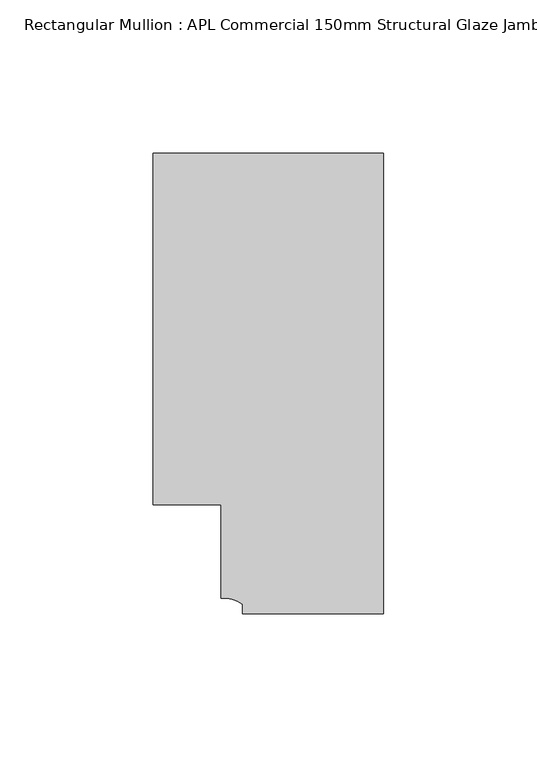
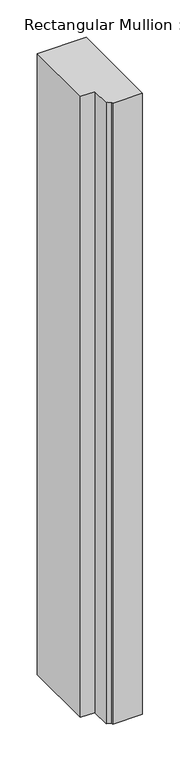
"""IFC4 building model written with IfcOpenShell, lengths in millimetres: member geometry, Rectangular Mullion : APL Commercial 150mm Structural Glaze Jamb Frame (left)."""

import ifcopenshell
import ifcopenshell.guid

model = None  # the IFC model being written
_history = None  # IfcOwnerHistory: only IFC2X3 demands one
_inside = {}  # id of a spatial element -> (the spatial element, [elements in it])
_under = {}  # id of a project, library or spatial element -> (it, [spatial elements below it])
_declared = {}  # id of a project -> (the project, [libraries it declares])
_typed = {}  # id of a type object -> (the type object, [elements of that type])
_made_of = {}  # id of a material, layer set ... -> (it, [elements and type objects made of it])


def new_model(schema):
    """Start an empty IFC model of exactly this schema.

    Asked for "IFC4X3", IfcOpenShell would pick the latest addendum, in which some entities
    have other attributes; the version numbers below select the first issue.
    IFC2X3 requires an IfcOwnerHistory on every rooted entity: one is made here for all.
    """
    global model, _history
    if schema == "IFC4X3":
        model = ifcopenshell.file(schema_version=(4, 3, 0, 0))
    else:
        model = ifcopenshell.file(schema=schema)
    _inside.clear()
    _under.clear()
    _declared.clear()
    _typed.clear()
    _made_of.clear()
    _history = None
    if model.schema == "IFC2X3":
        org = make("IfcOrganization", Name="unknown")
        user = make(
            "IfcPersonAndOrganization",
            ThePerson=make("IfcPerson", FamilyName="unknown"),
            TheOrganization=org,
        )
        app = make(
            "IfcApplication",
            ApplicationDeveloper=org,
            Version="unknown",
            ApplicationFullName="unknown",
            ApplicationIdentifier="unknown",
        )
        _history = make(
            "IfcOwnerHistory",
            OwningUser=user,
            OwningApplication=app,
            ChangeAction="ADDED",
            CreationDate=0,
        )
    return model


def make(cls, **values):
    """One entity of the class cls with the attributes given. An attribute that is None is left unset."""
    return model.create_entity(
        cls, **{name: value for name, value in values.items() if value is not None}
    )


def rooted(cls, **values):
    """An entity with a GlobalId (a new one), such as an element, a storey or a relation."""
    return make(cls, GlobalId=ifcopenshell.guid.new(), OwnerHistory=_history, **values)


def si_unit(unit_type, name, prefix=None):
    """IfcSIUnit, for example si_unit("LENGTHUNIT", "METRE", prefix="MILLI")."""
    return make("IfcSIUnit", UnitType=unit_type, Prefix=prefix, Name=name)


def assignment(units):
    """IfcUnitAssignment: the units of a project."""
    return None if units is None else make("IfcUnitAssignment", Units=units)


def point(xyz):
    """IfcCartesianPoint."""
    return None if xyz is None else make("IfcCartesianPoint", Coordinates=xyz)


def direction(xyz):
    """IfcDirection."""
    return None if xyz is None else make("IfcDirection", DirectionRatios=xyz)


def frame(location, z_axis=None, x_axis=None):
    """IfcAxis2Placement3D, a coordinate frame: its origin and axes. An axis left out is left unset."""
    return make(
        "IfcAxis2Placement3D",
        Location=point(location),
        Axis=direction(z_axis),
        RefDirection=direction(x_axis),
    )


def frame_2d(location, x_axis=None):
    """IfcAxis2Placement2D, a coordinate frame in the plane: its origin and x axis."""
    return make(
        "IfcAxis2Placement2D", Location=point(location), RefDirection=direction(x_axis)
    )


def origin():
    """The frame at (0, 0, 0) with its axes left unset."""
    return frame((0.0, 0.0, 0.0))


def place(relative_to, where):
    """IfcLocalPlacement: puts the frame where relative to a parent placement (None: the world)."""
    return make(
        "IfcLocalPlacement", PlacementRelTo=relative_to, RelativePlacement=where
    )


def context(
    kind, dimensions, precision=None, world=None, true_north=None, identifier=None
):
    """IfcGeometricRepresentationContext, for example the 3D "Model" context."""
    return make(
        "IfcGeometricRepresentationContext",
        ContextIdentifier=identifier,
        ContextType=kind,
        CoordinateSpaceDimension=dimensions,
        Precision=precision,
        WorldCoordinateSystem=world,
        TrueNorth=true_north,
    )


def project(units=None, contexts=None):
    """IfcProject with its units and contexts."""
    return rooted(
        "IfcProject",
        Name="project",
        RepresentationContexts=contexts,
        UnitsInContext=assignment(units),
    )


def spatial(cls, under=None, at=None, **own):
    """A site, building, storey or space (cls), placed at a placement, below another one or the project."""
    s = rooted(cls, ObjectPlacement=at, **own)
    if under is not None:
        _under.setdefault(under.id(), (under, []))[1].append(s)
    return s


def polyline(points):
    """IfcPolyline through the points."""
    return make("IfcPolyline", Points=[point(p) for p in points])


def circle_curve(where, radius):
    """IfcCircle in the frame where."""
    return make("IfcCircle", Position=where, Radius=radius)


def trimmed(basis, trim1, trim2, sense, master):
    """IfcTrimmedCurve: the piece of a basis curve between two trims."""
    return make(
        "IfcTrimmedCurve",
        BasisCurve=basis,
        Trim1=trim1,
        Trim2=trim2,
        SenseAgreement=sense,
        MasterRepresentation=master,
    )


def segment(curve, same_sense, transition):
    """IfcCompositeCurveSegment."""
    return make(
        "IfcCompositeCurveSegment",
        Transition=transition,
        SameSense=same_sense,
        ParentCurve=curve,
    )


def composite_curve(segments, self_intersect=None):
    """IfcCompositeCurve: segments joined end to end."""
    return make("IfcCompositeCurve", Segments=segments, SelfIntersect=self_intersect)


def outline(outer, holes=None, kind="AREA"):
    """IfcArbitraryClosedProfileDef: a profile drawn as a closed curve; with holes, ...WithVoids."""
    if holes is None:
        return make("IfcArbitraryClosedProfileDef", ProfileType=kind, OuterCurve=outer)
    return make(
        "IfcArbitraryProfileDefWithVoids",
        ProfileType=kind,
        OuterCurve=outer,
        InnerCurves=holes,
    )


def extrude(swept, where, along, depth):
    """IfcExtrudedAreaSolid: the profile swept, set in the frame where, extruded along a direction by depth."""
    return make(
        "IfcExtrudedAreaSolid",
        SweptArea=swept,
        Position=where,
        ExtrudedDirection=direction(along),
        Depth=depth,
    )


def shape(context_of_items, identifier, shape_type, items):
    """IfcShapeRepresentation: the items that make up one representation, for example the "Body"."""
    return make(
        "IfcShapeRepresentation",
        ContextOfItems=context_of_items,
        RepresentationIdentifier=identifier,
        RepresentationType=shape_type,
        Items=items,
    )


def source(mapping_origin, context_of_items, identifier, shape_type, items):
    """IfcRepresentationMap: a shape defined once, which mapped items show again and again."""
    return make(
        "IfcRepresentationMap",
        MappingOrigin=mapping_origin,
        MappedRepresentation=shape(context_of_items, identifier, shape_type, items),
    )


def transform(
    local_origin,
    x_axis=None,
    y_axis=None,
    z_axis=None,
    scale=None,
    scale2=None,
    scale3=None,
    uniform=True,
):
    """IfcCartesianTransformationOperator3D, or its non-uniform kind. x_axis, y_axis, z_axis: its Axis1, 2, 3."""
    if uniform:
        return make(
            "IfcCartesianTransformationOperator3D",
            Axis1=direction(x_axis),
            Axis2=direction(y_axis),
            LocalOrigin=point(local_origin),
            Scale=scale,
            Axis3=direction(z_axis),
        )
    return make(
        "IfcCartesianTransformationOperator3DnonUniform",
        Axis1=direction(x_axis),
        Axis2=direction(y_axis),
        LocalOrigin=point(local_origin),
        Scale=scale,
        Axis3=direction(z_axis),
        Scale2=scale2,
        Scale3=scale3,
    )


def mapped(mapping_source, mapping_target):
    """IfcMappedItem: shows the shape of a source again, moved by a transform."""
    return make(
        "IfcMappedItem", MappingSource=mapping_source, MappingTarget=mapping_target
    )


def made_of(thing, what):
    """Note that an element or type object is made of a material, layer set ...; save() writes the relation."""
    if what is not None:
        _made_of.setdefault(what.id(), (what, []))[1].append(thing)
    return thing


def element(
    cls,
    number,
    at=None,
    inside=None,
    cuts=None,
    type_object=None,
    material=None,
    context=None,
    identifier="Body",
    shape_type=None,
    held_by="IfcProductDefinitionShape",
    body=None,
    shapes=None,
    **own,
):
    """One element of the class cls, such as IfcWall. Its Tag is "e" and its number.

    at: its placement. inside: the storey or other place that contains it. cuts: it is an
    opening in that element (IfcRelVoidsElement). A single representation is given by context,
    identifier, shape_type and body (its items); several are given by shapes. held_by: the class
    of the entity that holds the representations. save() writes the other relations.
    """
    e = rooted(cls, Tag="e%d" % number, ObjectPlacement=at, **own)
    if body is not None:
        shapes = [shape(context, identifier, shape_type, body)]
    if shapes is not None:
        e.Representation = make(held_by, Representations=shapes)
    if inside is not None:
        _inside.setdefault(inside.id(), (inside, []))[1].append(e)
    if cuts is not None:
        rooted(
            "IfcRelVoidsElement", RelatingBuildingElement=cuts, RelatedOpeningElement=e
        )
    if type_object is not None:
        _typed.setdefault(type_object.id(), (type_object, []))[1].append(e)
    return made_of(e, material)


def aggregate(whole, parts):
    """IfcRelAggregates: a whole, such as a stair, and the parts it consists of."""
    return rooted("IfcRelAggregates", RelatingObject=whole, RelatedObjects=parts)


def save(model, path):
    """Write the relations noted so far, then the file.

    IfcRelAggregates (storeys below a building ...), IfcRelContainedInSpatialStructure (elements
    in a storey), IfcRelDefinesByType, IfcRelAssociatesMaterial and IfcRelDeclares: one each for
    every whole, place, type object, material and project.
    """
    for whole, parts in _under.values():
        aggregate(whole, parts)
    for where, things in _inside.values():
        rooted(
            "IfcRelContainedInSpatialStructure",
            RelatedElements=things,
            RelatingStructure=where,
        )
    for kind, things in _typed.values():
        rooted("IfcRelDefinesByType", RelatedObjects=things, RelatingType=kind)
    for what, things in _made_of.values():
        rooted("IfcRelAssociatesMaterial", RelatedObjects=things, RelatingMaterial=what)
    for by, libraries in _declared.values():
        rooted("IfcRelDeclares", RelatingContext=by, RelatedDefinitions=libraries)
    model.write(path)


def rectangular_mullion_apl_commercial_150mm_structural_glaze_c5a470f3(model_context):
    return source(origin(), model_context, "Body", "SweptSolid", [
        extrude(outline(composite_curve([segment(polyline([(0.0, -20.5), (-45.9999842, -20.5), (-45.9999842, -17.3125325)]), True, "CONTINUOUS"), segment(trimmed(circle_curve(frame_2d((-52.1098019, -25.7981812)), 10.4563907), [point((-45.9999842, -17.3125325))], [point((-52.9999391, -15.3797475))], True, "CARTESIAN"), True, "CONTINUOUS"), segment(polyline([(-52.9999391, -15.3797475), (-52.9999391, 15.0000829), (-75.0, 15.0000829), (-75.0, 129.4999988), (0.0, 129.4999988), (0.0, -20.5)]), True, "CONTINUOUS")], self_intersect=False)), frame((0.0, 0.0, -1010.8333342), z_axis=(0.0, 0.0, 1.0), x_axis=(1.0, 0.0, 0.0)), (0.0, 0.0, 1.0), 1010.8333342),
    ])


if __name__ == "__main__":
    model = new_model("IFC4")
    model_context = context("Model", 3, world=origin())
    ifc_project = project(units=[si_unit("LENGTHUNIT", "METRE", prefix="MILLI")], contexts=[model_context])
    site = spatial("IfcSite", under=ifc_project)
    building = spatial("IfcBuilding", under=site)
    placement = place(None, origin())
    rectangular_mullion_apl_commercial_150mm_structural_glaze_shape = rectangular_mullion_apl_commercial_150mm_structural_glaze_c5a470f3(model_context)
    element("IfcMember", 1, ObjectType="Rectangular Mullion : APL Commercial 150mm Structural Glaze Jamb Frame (left)", at=placement, inside=building, context=model_context, shape_type="MappedRepresentation", body=[
        mapped(rectangular_mullion_apl_commercial_150mm_structural_glaze_shape, transform((0.0, 0.0, 0.0), x_axis=(1.0, 0.0, 0.0), y_axis=(0.0, 1.0, 0.0), z_axis=(0.0, 0.0, 1.0))),
    ])
    save(model, "model.ifc")
